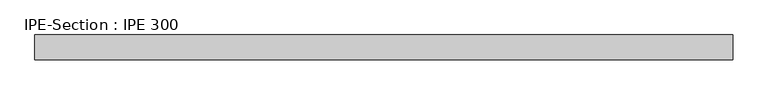
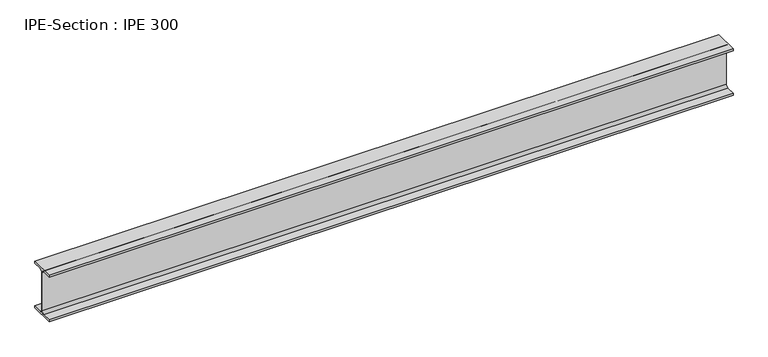
"""IFC4 building model written with IfcOpenShell, lengths in millimetres: beam geometry, IPE-Section : IPE 300."""

from ifc_helpers import new_model, si_unit, point, frame, frame_2d, origin, place, context, project, spatial, polyline, circle_curve, trimmed, segment, composite_curve, outline, extrude, source, transform, mapped, element, save


def ipe_section_ipe_300_8243e4d9(model_context):
    return source(origin(), model_context, "Body", "SweptSolid", [
        extrude(outline(composite_curve([segment(polyline([(-75.0, -139.3), (-18.55, -139.3)]), True, "CONTINUOUS"), segment(trimmed(circle_curve(frame_2d((-18.55, -124.3)), 15.0), [point((-18.55, -139.3))], [point((-3.55, -124.3))], True, "CARTESIAN"), True, "CONTINUOUS"), segment(polyline([(-3.55, -124.3), (-3.55, 124.3)]), True, "CONTINUOUS"), segment(trimmed(circle_curve(frame_2d((-18.55, 124.3)), 15.0), [point((-3.55, 124.3))], [point((-18.55, 139.3))], True, "CARTESIAN"), True, "CONTINUOUS"), segment(polyline([(-18.55, 139.3), (-75.0, 139.3), (-75.0, 150.0), (75.0, 150.0), (75.0, 139.3), (18.55, 139.3)]), True, "CONTINUOUS"), segment(trimmed(circle_curve(frame_2d((18.55, 124.3)), 15.0), [point((18.55, 139.3))], [point((3.55, 124.3))], True, "CARTESIAN"), True, "CONTINUOUS"), segment(polyline([(3.55, 124.3), (3.55, -124.3)]), True, "CONTINUOUS"), segment(trimmed(circle_curve(frame_2d((18.55, -124.3)), 15.0), [point((3.55, -124.3))], [point((18.55, -139.3))], True, "CARTESIAN"), True, "CONTINUOUS"), segment(polyline([(18.55, -139.3), (75.0, -139.3), (75.0, -150.0), (-75.0, -150.0), (-75.0, -139.3)]), True, "CONTINUOUS")], self_intersect=False)), frame((-2075.2166661, 0.0, 0.0), z_axis=(1.0, 0.0, 0.0), x_axis=(0.0, 1.0, 0.0)), (0.0, 0.0, 1.0), 4204.1333327),
    ])


if __name__ == "__main__":
    model = new_model("IFC4")
    model_context = context("Model", 3, world=origin())
    ifc_project = project(units=[si_unit("LENGTHUNIT", "METRE", prefix="MILLI")], contexts=[model_context])
    site = spatial("IfcSite", under=ifc_project)
    building = spatial("IfcBuilding", under=site)
    placement = place(None, origin())
    ipe_section_ipe_300_shape = ipe_section_ipe_300_8243e4d9(model_context)
    element("IfcBeam", 1, ObjectType="IPE-Section : IPE 300", at=placement, inside=building, context=model_context, shape_type="MappedRepresentation", body=[
        mapped(ipe_section_ipe_300_shape, transform((0.0, 0.0, 0.0), x_axis=(1.0, 0.0, 0.0), y_axis=(0.0, 1.0, 0.0), z_axis=(0.0, 0.0, 1.0))),
    ])
    save(model, "model.ifc")
